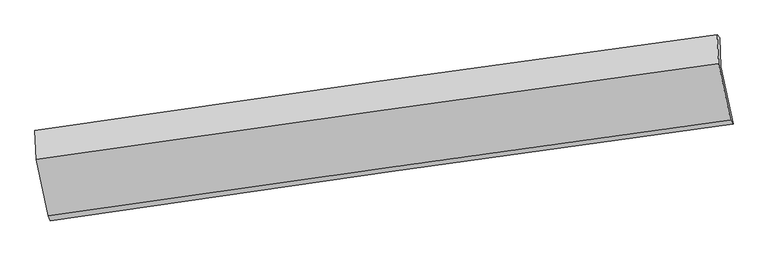
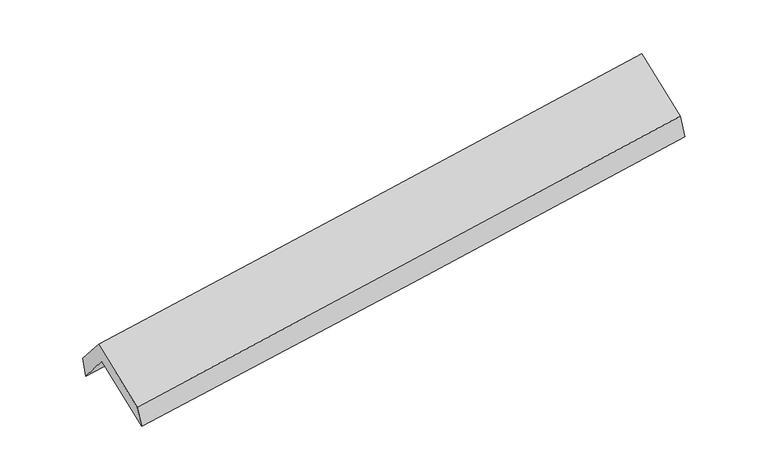
"""IFC4 building model written with IfcOpenShell, lengths in millimetres: proxy geometry."""

from ifc_helpers import new_model, si_unit, frame, origin, place, context, project, spatial, source, transform, mapped, element, save
from ifc_brep_helpers import plane_surface, spline_curve, spline_surface, advanced_brep


def generic_models_b62ad1d8(model_context):
    return source(origin(), model_context, "Body", "AdvancedBrep", [
        advanced_brep(
        [(-2898.6635007, -2511.9402329, 1454.5955656), (-3005.7170239, -2006.246555, 1880.3657005), (2946.0349093, -1164.5990593, 2362.2684792), (3053.1235472, -1666.6533374, 1939.5352725), (-3016.002454, -1746.561252, 1566.373945), (2935.9981905, -911.2637842, 2055.9539852), (-3034.5382203, -1725.3870858, 1751.6981927), (2915.836482, -888.4086854, 2255.7289387), (-3023.5400815, -1978.6354158, 2046.3736106), (2926.8460967, -1141.6553913, 2550.4053238), (-2920.0927634, -2470.8354523, 1640.8993305), (3030.9107323, -1633.0747087, 2145.5496879)],
        [
            (0, 1),
            (1, 2, spline_curve(3, [(-3005.7170239, -2006.246555, 1880.3657005), (-2013.250862291, -1860.640413942, 1945.47190771), (-1021.037848144, -1717.699969567, 2018.183634752), (962.879461415, -1437.15081735, 2178.817931332), (1954.583758795, -1299.542096338, 2266.740464236), (2946.0349093, -1164.5990593, 2362.2684792)], [4, 2, 4], [0.0, 9.893110629688394, 19.786197102761555])),
            (2, 3),
            (3, 0, spline_curve(3, [(3053.1235472, -1666.6533374, 1939.5352725), (2061.423284821, -1800.964465741, 1844.543200656), (1069.591505065, -1938.560514792, 1756.635563161), (-914.337510008, -2220.322797007, 1594.988959888), (-1906.434746705, -2364.489046825, 1521.250028135), (-2898.6635007, -2511.9402329, 1454.5955656)], [4, 2, 4], [0.0, 9.893086473073161, 19.786197102761555])),
            (1, 4),
            (4, 5, spline_curve(3, [(-3016.002454, -1746.561252, 1566.373945), (-2023.49580254, -1601.991141311, 1632.732703578), (-1031.241817794, -1460.097881725, 1706.71047876), (952.758395964, -1181.665405609, 1869.903862801), (1944.50462598, -1045.126175889, 1959.119434206), (2935.9981905, -911.2637842, 2055.9539852)], [4, 2, 4], [0.0, 9.892458041434553, 19.784891927847337])),
            (5, 2),
            (4, 6),
            (6, 7, spline_curve(3, [(-3034.5382203, -1725.3870858, 1751.6981927), (-2042.759021115, -1580.153058317, 1825.21261981), (-1051.004257602, -1437.787763179, 1903.972453355), (932.453976234, -1158.794976838, 2071.982727524), (1924.1574469, -1022.167472117, 2161.233142647), (2915.836482, -888.4086854, 2255.7289387)], [4, 2, 4], [0.0, 9.892211721562019, 19.784399288703725])),
            (7, 5),
            (6, 8),
            (8, 9, spline_curve(3, [(-3023.5400815, -1978.6354158, 2046.3736106), (-2031.664301547, -1835.573503471, 2122.416028389), (-1039.860291381, -1694.294128964, 2202.439936055), (943.601767407, -1415.300796254, 2370.450526823), (1935.259816855, -1277.586829287, 2458.437190049), (2926.8460967, -1141.6553913, 2550.4053238)], [4, 2, 4], [0.0, 9.891995023478795, 19.7839658930664])),
            (9, 7),
            (8, 10),
            (10, 11, spline_curve(3, [(-2920.0927634, -2470.8354523, 1640.8993305), (-1928.089262134, -2327.672981987, 1717.019918566), (-936.169948423, -2186.27826814, 1797.13446517), (1047.497883198, -1907.024695596, 1965.351270657), (2039.246401205, -1769.165828138, 2053.453509769), (3030.9107323, -1633.0747087, 2145.5496879)], [4, 2, 4], [0.0, 9.892591407665561, 19.785158659983704])),
            (11, 9),
            (10, 0),
            (3, 11),
        ],
        [
            spline_surface(3, 3, [[(-2898.6635007, -2511.9402329, 1454.5955656), (-1906.434746597, -2364.489046797, 1521.25002822), (-914.337510136, -2220.322797114, 1594.988959733), (1069.591505192, -1938.560514685, 1756.635563315), (2061.42328469, -1800.96446581, 1844.543200732), (3053.1235472, -1666.6533374, 1939.5352725)], [(-2934.348008438, -2343.375673602, 1596.518943897), (-1942.040118453, -2196.539502494, 1662.657321414), (-949.90428951, -2052.781854616, 1736.053851367), (1034.020823985, -1771.423948927, 1897.363019328), (2025.810109366, -1633.823675996, 1985.275621834), (3017.427334557, -1499.301911347, 2080.446341387)], [(-2970.032516162, -2174.811114298, 1738.442322203), (-1977.645490295, -2028.589958185, 1804.064614616), (-985.471068905, -1885.24091206, 1877.11874305), (998.450142757, -1604.287383112, 2038.090475388), (1990.196934072, -1466.68288624, 2126.008042975), (2981.731121943, -1331.950485353, 2221.357410313)], [(-3005.7170239, -2006.246555, 1880.3657005), (-2013.25086215, -1860.640413881, 1945.47190781), (-1021.037848279, -1717.699969563, 2018.183634684), (962.87946155, -1437.150817355, 2178.817931401), (1954.583758748, -1299.542096426, 2266.740464077), (2946.0349093, -1164.5990593, 2362.2684792)]], [4, 4], [4, 2, 4], [0.0, 2.1813813923679697], [0.0, 9.893110629688394, 19.786197102761555]),
            spline_surface(3, 3, [[(-3005.7170239, -2006.246555, 1880.3657005), (-2013.25086215, -1860.640413881, 1945.47190781), (-1021.037848279, -1717.699969563, 2018.183634684), (962.87946155, -1437.150817355, 2178.817931401), (1954.583758748, -1299.542096426, 2266.740464077), (2946.0349093, -1164.5990593, 2362.2684792)], [(-3009.145500582, -1919.684787361, 1775.701782018), (-2016.665842233, -1774.42398968, 1841.225506442), (-1024.439171408, -1631.832606963, 1914.359249402), (959.505773005, -1351.989013423, 2075.846575191), (1951.224047832, -1214.736789542, 2164.200120831), (2942.689336366, -1080.153967611, 2260.163647868)], [(-3012.573977318, -1833.123019639, 1671.037863482), (-2020.080822368, -1688.207565395, 1736.979105021), (-1027.840494576, -1545.965244369, 1810.534864096), (956.132084419, -1266.827209496, 1972.875218956), (1947.864336918, -1129.931482626, 2061.659777582), (2939.343763434, -995.708875889, 2158.058816532)], [(-3016.002454, -1746.561252, 1566.373945), (-2023.495802451, -1601.991141194, 1632.732703654), (-1031.241817705, -1460.097881769, 1706.710478814), (952.758395874, -1181.665405565, 1869.903862746), (1944.504626002, -1045.126175743, 1959.119434336), (2935.9981905, -911.2637842, 2055.9539852)]], [4, 4], [4, 2, 4], [0.0, 1.3210751204959728], [0.0, 9.892458041434553, 19.784891927847337]),
            spline_surface(3, 3, [[(-3016.002454, -1746.561252, 1566.373945), (-2023.495802451, -1601.991141194, 1632.732703654), (-1031.241817705, -1460.097881769, 1706.710478814), (952.758395874, -1181.665405565, 1869.903862746), (1944.504626002, -1045.126175743, 1959.119434336), (2935.9981905, -911.2637842, 2055.9539852)], [(-3022.181042794, -1739.503196575, 1628.148694235), (-2029.916875375, -1594.711780256, 1696.89267571), (-1037.829297714, -1452.661175526, 1772.4644703), (945.990256008, -1174.041929356, 1937.263484345), (1937.722232991, -1037.473274561, 2026.490670482), (2929.277621019, -903.64541794, 2122.545636365)], [(-3028.359631506, -1732.445141225, 1689.923443465), (-2036.337948218, -1587.432419393, 1761.052647762), (-1044.416777679, -1445.224469303, 1838.218461819), (939.222116185, -1166.418453166, 2004.623105976), (1930.939839924, -1029.820373359, 2093.861906634), (2922.557051481, -896.02705166, 2189.137287535)], [(-3034.5382203, -1725.3870858, 1751.6981927), (-2042.759021142, -1580.153058455, 1825.212619818), (-1051.004257688, -1437.78776306, 1903.972453304), (932.453976319, -1158.794976958, 2071.982727575), (1924.157446913, -1022.167472176, 2161.23314278), (2915.836482, -888.4086854, 2255.7289387)]], [4, 4], [4, 2, 4], [0.0, 0.6625341832080632], [0.0, 9.892211721562019, 19.784399288703725]),
            spline_surface(3, 3, [[(-3034.5382203, -1725.3870858, 1751.6981927), (-2042.759021142, -1580.153058455, 1825.212619818), (-1051.004257688, -1437.78776306, 1903.972453304), (932.453976319, -1158.794976958, 2071.982727575), (1924.157446913, -1022.167472176, 2161.23314278), (2915.836482, -888.4086854, 2255.7289387)], [(-3030.872174006, -1809.803195811, 1849.923331982), (-2039.060781277, -1665.293206808, 1924.280422656), (-1047.289602284, -1523.289885026, 2003.461614274), (936.169906733, -1244.296916694, 2171.471993963), (1927.858236876, -1107.307257837, 2260.301158512), (2919.506353557, -972.824254025, 2353.95440041)], [(-3027.206127794, -1894.219305789, 1948.148471318), (-2035.362541494, -1750.433355129, 2023.348225546), (-1043.57494691, -1608.792007039, 2102.950775207), (939.885837118, -1329.798856477, 2270.961260315), (1931.559026868, -1192.447043522, 2359.369174212), (2923.176225143, -1057.239822675, 2452.17986209)], [(-3023.5400815, -1978.6354158, 2046.3736106), (-2031.664301629, -1835.573503481, 2122.416028383), (-1039.860291506, -1694.294129005, 2202.439936176), (943.601767533, -1415.300796213, 2370.450526702), (1935.259816831, -1277.586829183, 2458.437189944), (2926.8460967, -1141.6553913, 2550.4053238)]], [4, 4], [4, 2, 4], [0.0, 1.291678536946458], [0.0, 9.891995023478795, 19.7839658930664]),
            spline_surface(3, 3, [[(-3023.5400815, -1978.6354158, 2046.3736106), (-2031.664301629, -1835.573503481, 2122.416028383), (-1039.860291506, -1694.294129005, 2202.439936176), (943.601767533, -1415.300796213, 2370.450526702), (1935.259816831, -1277.586829183, 2458.437189944), (2926.8460967, -1141.6553913, 2550.4053238)], [(-2989.057642158, -2142.702094626, 1911.215517228), (-1997.139288519, -1999.606662922, 1987.283991771), (-1005.296843786, -1858.288842079, 2067.33811253), (978.233806073, -1579.208762696, 2235.417441315), (1969.922011602, -1441.446495466, 2323.442629829), (2961.534308564, -1305.461830425, 2415.453445142)], [(-2954.575202742, -2306.768773474, 1776.057423872), (-1962.614275335, -2163.639822385, 1852.151955176), (-970.733396082, -2022.283555076, 1932.236288909), (1012.865844597, -1743.116729102, 2100.384355952), (2004.584206382, -1605.306161774, 2188.448069787), (2996.222520436, -1469.268269575, 2280.501566558)], [(-2920.0927634, -2470.8354523, 1640.8993305), (-1928.089262225, -2327.672981826, 1717.019918564), (-936.169948362, -2186.278268151, 1797.134465263), (1047.497883137, -1907.024695585, 1965.351270564), (2039.246401153, -1769.165828057, 2053.453509672), (3030.9107323, -1633.0747087, 2145.5496879)]], [4, 4], [4, 2, 4], [0.0, 2.118321139349567], [0.0, 9.892591407665561, 19.785158659983704]),
            spline_surface(3, 3, [[(-2920.0927634, -2470.8354523, 1640.8993305), (-1928.089262225, -2327.672981826, 1717.019918564), (-936.169948362, -2186.278268151, 1797.134465263), (1047.497883137, -1907.024695585, 1965.351270564), (2039.246401153, -1769.165828057, 2053.453509672), (3030.9107323, -1633.0747087, 2145.5496879)], [(-2912.949675822, -2484.537045825, 1578.79807554), (-1920.871090338, -2339.945003475, 1651.763288456), (-928.892468974, -2197.626444451, 1729.752630102), (1054.862423801, -1917.536635264, 1895.779368164), (2046.63869567, -1779.765373994, 1983.816740053), (3038.315003938, -1644.267584952, 2076.878216128)], [(-2905.806588278, -2498.238639375, 1516.69682056), (-1913.652918484, -2352.217025148, 1586.506658328), (-921.614989524, -2208.974620814, 1662.370794894), (1062.226964528, -1928.048575006, 1826.207465716), (2054.030990174, -1790.364919874, 1914.179970351), (3045.719275562, -1655.460461148, 2008.206744272)], [(-2898.6635007, -2511.9402329, 1454.5955656), (-1906.434746597, -2364.489046797, 1521.25002822), (-914.337510136, -2220.322797114, 1594.988959733), (1069.591505192, -1938.560514685, 1756.635563315), (2061.42328469, -1800.96446581, 1844.543200732), (3053.1235472, -1666.6533374, 1939.5352725)]], [4, 4], [4, 2, 4], [0.0, 0.6863098404326787], [0.0, 9.893447066121755, 19.78686997480678]),
            plane_surface(frame((2968.124993, -1234.2758277, 2218.2402812), z_axis=(0.9866065206658743, 0.14010090121599547, 0.08354226988802574), x_axis=(0.16130069101972078, -0.7617023306949564, -0.6275282037410207))),
            plane_surface(frame((-2983.0923406, -2073.2676656, 1723.3843908), z_axis=(-0.9867980972641809, -0.1391928187607432, -0.08279416912579844), x_axis=(-0.11161996506343995, 0.21410508746062937, 0.970412280900604))),
        ],
        [
            (0, [[1, 2, 3, 4]]),
            (1, [[5, 6, 7, -2]]),
            (2, [[8, 9, 10, -6]]),
            (3, [[11, 12, 13, -9]]),
            (4, [[14, 15, 16, -12]]),
            (5, [[17, -4, 18, -15]]),
            (6, [[-16, -18, -3, -7, -10, -13]]),
            (7, [[-17, -14, -11, -8, -5, -1]]),
        ],
    ),
    ])


if __name__ == "__main__":
    model = new_model("IFC4")
    model_context = context("Model", 3, world=origin())
    ifc_project = project(units=[si_unit("LENGTHUNIT", "METRE", prefix="MILLI")], contexts=[model_context])
    site = spatial("IfcSite", under=ifc_project)
    building = spatial("IfcBuilding", under=site)
    placement = place(None, origin())
    generic_models_shape = generic_models_b62ad1d8(model_context)
    element("IfcBuildingElementProxy", 1, Name="Generic Models", at=placement, inside=building, context=model_context, shape_type="MappedRepresentation", body=[
        mapped(generic_models_shape, transform((0.0, 0.0, 0.0), x_axis=(1.0, 0.0, 0.0), y_axis=(0.0, 1.0, 0.0), z_axis=(0.0, 0.0, 1.0))),
    ])
    save(model, "model.ifc")
